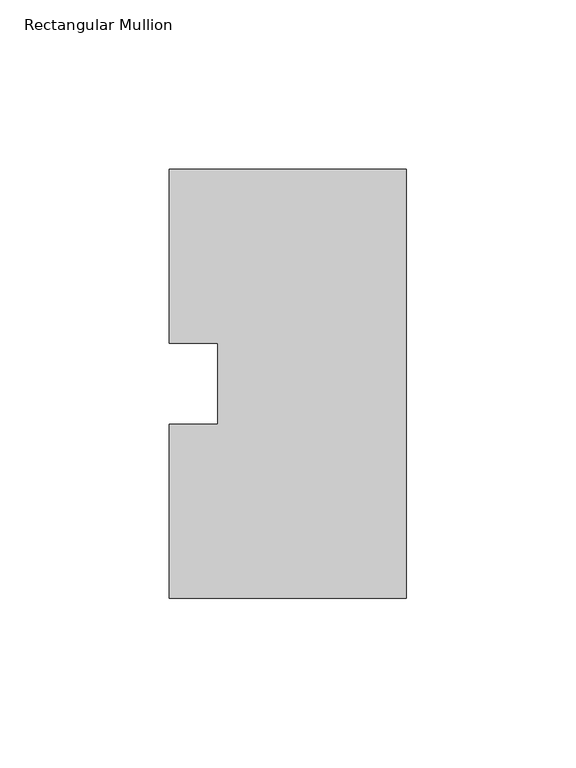
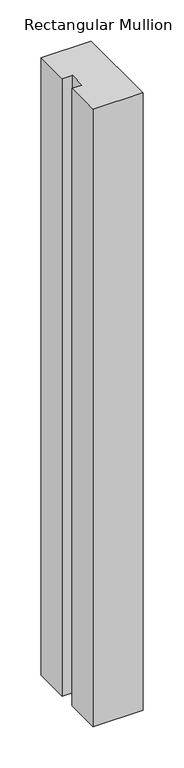
"""IFC4 building model written with IfcOpenShell, lengths in millimetres: member geometry, Rectangular Mullion."""

import ifcopenshell
import ifcopenshell.guid

model = None  # the IFC model being written
_history = None  # IfcOwnerHistory: only IFC2X3 demands one
_inside = {}  # id of a spatial element -> (the spatial element, [elements in it])
_under = {}  # id of a project, library or spatial element -> (it, [spatial elements below it])
_declared = {}  # id of a project -> (the project, [libraries it declares])
_typed = {}  # id of a type object -> (the type object, [elements of that type])
_made_of = {}  # id of a material, layer set ... -> (it, [elements and type objects made of it])


def new_model(schema):
    """Start an empty IFC model of exactly this schema.

    Asked for "IFC4X3", IfcOpenShell would pick the latest addendum, in which some entities
    have other attributes; the version numbers below select the first issue.
    IFC2X3 requires an IfcOwnerHistory on every rooted entity: one is made here for all.
    """
    global model, _history
    if schema == "IFC4X3":
        model = ifcopenshell.file(schema_version=(4, 3, 0, 0))
    else:
        model = ifcopenshell.file(schema=schema)
    _inside.clear()
    _under.clear()
    _declared.clear()
    _typed.clear()
    _made_of.clear()
    _history = None
    if model.schema == "IFC2X3":
        org = make("IfcOrganization", Name="unknown")
        user = make(
            "IfcPersonAndOrganization",
            ThePerson=make("IfcPerson", FamilyName="unknown"),
            TheOrganization=org,
        )
        app = make(
            "IfcApplication",
            ApplicationDeveloper=org,
            Version="unknown",
            ApplicationFullName="unknown",
            ApplicationIdentifier="unknown",
        )
        _history = make(
            "IfcOwnerHistory",
            OwningUser=user,
            OwningApplication=app,
            ChangeAction="ADDED",
            CreationDate=0,
        )
    return model


def make(cls, **values):
    """One entity of the class cls with the attributes given. An attribute that is None is left unset."""
    return model.create_entity(
        cls, **{name: value for name, value in values.items() if value is not None}
    )


def rooted(cls, **values):
    """An entity with a GlobalId (a new one), such as an element, a storey or a relation."""
    return make(cls, GlobalId=ifcopenshell.guid.new(), OwnerHistory=_history, **values)


def si_unit(unit_type, name, prefix=None):
    """IfcSIUnit, for example si_unit("LENGTHUNIT", "METRE", prefix="MILLI")."""
    return make("IfcSIUnit", UnitType=unit_type, Prefix=prefix, Name=name)


def assignment(units):
    """IfcUnitAssignment: the units of a project."""
    return None if units is None else make("IfcUnitAssignment", Units=units)


def point(xyz):
    """IfcCartesianPoint."""
    return None if xyz is None else make("IfcCartesianPoint", Coordinates=xyz)


def direction(xyz):
    """IfcDirection."""
    return None if xyz is None else make("IfcDirection", DirectionRatios=xyz)


def frame(location, z_axis=None, x_axis=None):
    """IfcAxis2Placement3D, a coordinate frame: its origin and axes. An axis left out is left unset."""
    return make(
        "IfcAxis2Placement3D",
        Location=point(location),
        Axis=direction(z_axis),
        RefDirection=direction(x_axis),
    )


def origin():
    """The frame at (0, 0, 0) with its axes left unset."""
    return frame((0.0, 0.0, 0.0))


def place(relative_to, where):
    """IfcLocalPlacement: puts the frame where relative to a parent placement (None: the world)."""
    return make(
        "IfcLocalPlacement", PlacementRelTo=relative_to, RelativePlacement=where
    )


def context(
    kind, dimensions, precision=None, world=None, true_north=None, identifier=None
):
    """IfcGeometricRepresentationContext, for example the 3D "Model" context."""
    return make(
        "IfcGeometricRepresentationContext",
        ContextIdentifier=identifier,
        ContextType=kind,
        CoordinateSpaceDimension=dimensions,
        Precision=precision,
        WorldCoordinateSystem=world,
        TrueNorth=true_north,
    )


def project(units=None, contexts=None):
    """IfcProject with its units and contexts."""
    return rooted(
        "IfcProject",
        Name="project",
        RepresentationContexts=contexts,
        UnitsInContext=assignment(units),
    )


def spatial(cls, under=None, at=None, **own):
    """A site, building, storey or space (cls), placed at a placement, below another one or the project."""
    s = rooted(cls, ObjectPlacement=at, **own)
    if under is not None:
        _under.setdefault(under.id(), (under, []))[1].append(s)
    return s


def polyline(points):
    """IfcPolyline through the points."""
    return make("IfcPolyline", Points=[point(p) for p in points])


def outline(outer, holes=None, kind="AREA"):
    """IfcArbitraryClosedProfileDef: a profile drawn as a closed curve; with holes, ...WithVoids."""
    if holes is None:
        return make("IfcArbitraryClosedProfileDef", ProfileType=kind, OuterCurve=outer)
    return make(
        "IfcArbitraryProfileDefWithVoids",
        ProfileType=kind,
        OuterCurve=outer,
        InnerCurves=holes,
    )


def extrude(swept, where, along, depth):
    """IfcExtrudedAreaSolid: the profile swept, set in the frame where, extruded along a direction by depth."""
    return make(
        "IfcExtrudedAreaSolid",
        SweptArea=swept,
        Position=where,
        ExtrudedDirection=direction(along),
        Depth=depth,
    )


def shape(context_of_items, identifier, shape_type, items):
    """IfcShapeRepresentation: the items that make up one representation, for example the "Body"."""
    return make(
        "IfcShapeRepresentation",
        ContextOfItems=context_of_items,
        RepresentationIdentifier=identifier,
        RepresentationType=shape_type,
        Items=items,
    )


def source(mapping_origin, context_of_items, identifier, shape_type, items):
    """IfcRepresentationMap: a shape defined once, which mapped items show again and again."""
    return make(
        "IfcRepresentationMap",
        MappingOrigin=mapping_origin,
        MappedRepresentation=shape(context_of_items, identifier, shape_type, items),
    )


def transform(
    local_origin,
    x_axis=None,
    y_axis=None,
    z_axis=None,
    scale=None,
    scale2=None,
    scale3=None,
    uniform=True,
):
    """IfcCartesianTransformationOperator3D, or its non-uniform kind. x_axis, y_axis, z_axis: its Axis1, 2, 3."""
    if uniform:
        return make(
            "IfcCartesianTransformationOperator3D",
            Axis1=direction(x_axis),
            Axis2=direction(y_axis),
            LocalOrigin=point(local_origin),
            Scale=scale,
            Axis3=direction(z_axis),
        )
    return make(
        "IfcCartesianTransformationOperator3DnonUniform",
        Axis1=direction(x_axis),
        Axis2=direction(y_axis),
        LocalOrigin=point(local_origin),
        Scale=scale,
        Axis3=direction(z_axis),
        Scale2=scale2,
        Scale3=scale3,
    )


def mapped(mapping_source, mapping_target):
    """IfcMappedItem: shows the shape of a source again, moved by a transform."""
    return make(
        "IfcMappedItem", MappingSource=mapping_source, MappingTarget=mapping_target
    )


def made_of(thing, what):
    """Note that an element or type object is made of a material, layer set ...; save() writes the relation."""
    if what is not None:
        _made_of.setdefault(what.id(), (what, []))[1].append(thing)
    return thing


def element(
    cls,
    number,
    at=None,
    inside=None,
    cuts=None,
    type_object=None,
    material=None,
    context=None,
    identifier="Body",
    shape_type=None,
    held_by="IfcProductDefinitionShape",
    body=None,
    shapes=None,
    **own,
):
    """One element of the class cls, such as IfcWall. Its Tag is "e" and its number.

    at: its placement. inside: the storey or other place that contains it. cuts: it is an
    opening in that element (IfcRelVoidsElement). A single representation is given by context,
    identifier, shape_type and body (its items); several are given by shapes. held_by: the class
    of the entity that holds the representations. save() writes the other relations.
    """
    e = rooted(cls, Tag="e%d" % number, ObjectPlacement=at, **own)
    if body is not None:
        shapes = [shape(context, identifier, shape_type, body)]
    if shapes is not None:
        e.Representation = make(held_by, Representations=shapes)
    if inside is not None:
        _inside.setdefault(inside.id(), (inside, []))[1].append(e)
    if cuts is not None:
        rooted(
            "IfcRelVoidsElement", RelatingBuildingElement=cuts, RelatedOpeningElement=e
        )
    if type_object is not None:
        _typed.setdefault(type_object.id(), (type_object, []))[1].append(e)
    return made_of(e, material)


def aggregate(whole, parts):
    """IfcRelAggregates: a whole, such as a stair, and the parts it consists of."""
    return rooted("IfcRelAggregates", RelatingObject=whole, RelatedObjects=parts)


def save(model, path):
    """Write the relations noted so far, then the file.

    IfcRelAggregates (storeys below a building ...), IfcRelContainedInSpatialStructure (elements
    in a storey), IfcRelDefinesByType, IfcRelAssociatesMaterial and IfcRelDeclares: one each for
    every whole, place, type object, material and project.
    """
    for whole, parts in _under.values():
        aggregate(whole, parts)
    for where, things in _inside.values():
        rooted(
            "IfcRelContainedInSpatialStructure",
            RelatedElements=things,
            RelatingStructure=where,
        )
    for kind, things in _typed.values():
        rooted("IfcRelDefinesByType", RelatedObjects=things, RelatingType=kind)
    for what, things in _made_of.values():
        rooted("IfcRelAssociatesMaterial", RelatedObjects=things, RelatingMaterial=what)
    for by, libraries in _declared.values():
        rooted("IfcRelDeclares", RelatingContext=by, RelatedDefinitions=libraries)
    model.write(path)


def rectangular_mullion_6716b008(model_context):
    return source(origin(), model_context, "Body", "SweptSolid", [
        extrude(outline(polyline([(0.0, 0.26035), (-69.85, 0.26035), (-69.85, 51.60645), (-55.5625, 51.60645), (-55.5625, 75.40625), (-69.85, 75.40625), (-69.85, 126.75235), (0.0, 126.75235), (0.0, 0.26035)])), frame((0.0, 0.0, -914.4), z_axis=(0.0, 0.0, 1.0), x_axis=(1.0, 0.0, 0.0)), (0.0, 0.0, 1.0), 914.4),
    ])


if __name__ == "__main__":
    model = new_model("IFC4")
    model_context = context("Model", 3, world=origin())
    ifc_project = project(units=[si_unit("LENGTHUNIT", "METRE", prefix="MILLI")], contexts=[model_context])
    site = spatial("IfcSite", under=ifc_project)
    building = spatial("IfcBuilding", under=site)
    placement = place(None, origin())
    rectangular_mullion_shape = rectangular_mullion_6716b008(model_context)
    element("IfcMember", 1, ObjectType="Rectangular Mullion", at=placement, inside=building, context=model_context, shape_type="MappedRepresentation", body=[
        mapped(rectangular_mullion_shape, transform((0.0, 0.0, 0.0), x_axis=(1.0, 0.0, 0.0), y_axis=(0.0, 1.0, 0.0), z_axis=(0.0, 0.0, 1.0))),
    ])
    save(model, "model.ifc")
